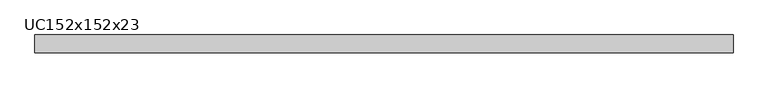
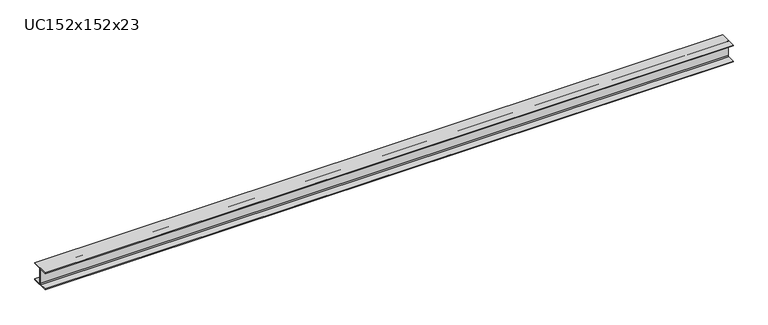
"""IFC4 building model written with IfcOpenShell, lengths in millimetres: beam geometry, UC152x152x23."""

from ifc_helpers import new_model, si_unit, point, frame, frame_2d, origin, place, context, project, spatial, polyline, circle_curve, trimmed, segment, composite_curve, outline, extrude, source, transform, mapped, element, save


def uc152x152x23_89701bd8(model_context):
    return source(origin(), model_context, "Body", "SweptSolid", [
        extrude(outline(composite_curve([segment(polyline([(76.1, -69.4), (76.1, -76.2), (-76.1, -76.2), (-76.1, -69.4), (-10.5, -69.4)]), True, "CONTINUOUS"), segment(trimmed(circle_curve(frame_2d((-10.5, -61.8)), 7.6), [point((-10.5, -69.4))], [point((-2.9, -61.8))], True, "CARTESIAN"), True, "CONTINUOUS"), segment(polyline([(-2.9, -61.8), (-2.9, 61.8)]), True, "CONTINUOUS"), segment(trimmed(circle_curve(frame_2d((-10.5, 61.8)), 7.6), [point((-2.9, 61.8))], [point((-10.5, 69.4))], True, "CARTESIAN"), True, "CONTINUOUS"), segment(polyline([(-10.5, 69.4), (-76.1, 69.4), (-76.1, 76.2), (76.1, 76.2), (76.1, 69.4), (10.5, 69.4)]), True, "CONTINUOUS"), segment(trimmed(circle_curve(frame_2d((10.5, 61.8)), 7.6), [point((10.5, 69.4))], [point((2.9, 61.8))], True, "CARTESIAN"), True, "CONTINUOUS"), segment(polyline([(2.9, 61.8), (2.9, -61.8)]), True, "CONTINUOUS"), segment(trimmed(circle_curve(frame_2d((10.5, -61.8)), 7.6), [point((2.9, -61.8))], [point((10.5, -69.4))], True, "CARTESIAN"), True, "CONTINUOUS"), segment(polyline([(10.5, -69.4), (76.1, -69.4)]), True, "CONTINUOUS")], self_intersect=False)), frame((-2952.5, 0.0, 0.0), z_axis=(1.0, 0.0, 0.0), x_axis=(0.0, 1.0, 0.0)), (0.0, 0.0, 1.0), 5905.0),
    ])


if __name__ == "__main__":
    model = new_model("IFC4")
    model_context = context("Model", 3, world=origin())
    ifc_project = project(units=[si_unit("LENGTHUNIT", "METRE", prefix="MILLI")], contexts=[model_context])
    site = spatial("IfcSite", under=ifc_project)
    building = spatial("IfcBuilding", under=site)
    placement = place(None, origin())
    uc152x152x23_shape = uc152x152x23_89701bd8(model_context)
    element("IfcBeam", 1, ObjectType="UC152x152x23", at=placement, inside=building, context=model_context, shape_type="MappedRepresentation", body=[
        mapped(uc152x152x23_shape, transform((0.0, 0.0, 0.0), x_axis=(1.0, 0.0, 0.0), y_axis=(0.0, 1.0, 0.0), z_axis=(0.0, 0.0, 1.0))),
    ])
    save(model, "model.ifc")
